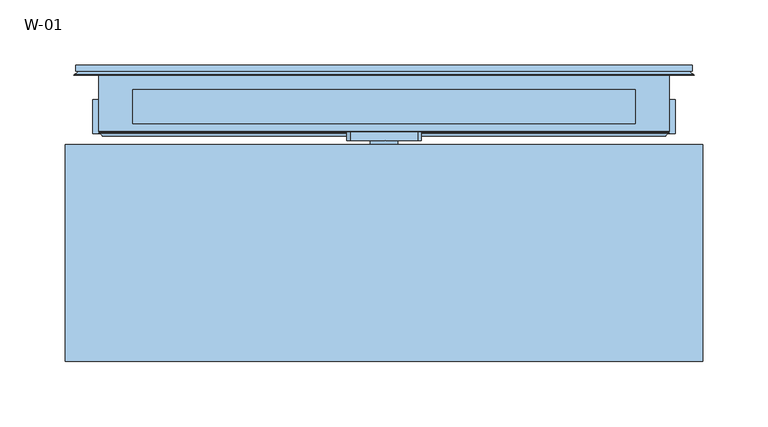
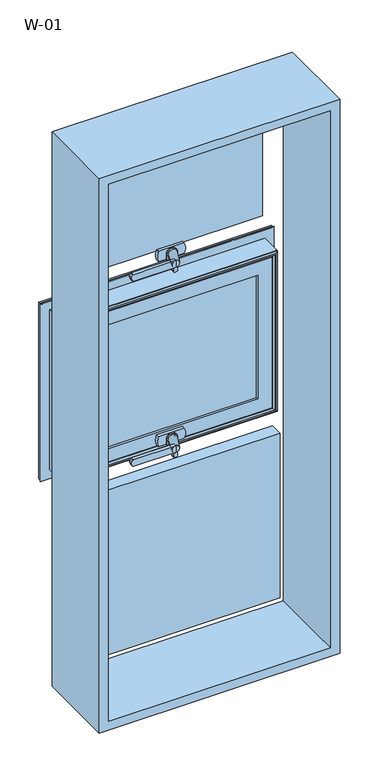
"""IFC4 building model written with IfcOpenShell, lengths in millimetres: window geometry, W-01."""

from ifc_helpers import new_model, si_unit, point, frame, frame_2d, origin, place, context, project, spatial, polyline, circle_curve, ellipse_curve, trimmed, segment, composite_curve, outline, extrude, source, transform, mapped, element, save
from ifc_brep_helpers import plane_surface, cylinder_surface, revolved_surface, spline_surface, advanced_brep


def w_01_81d1cf1f(model_context):
    return source(origin(), model_context, "Body", "SolidModel", [
        extrude(outline(polyline([(192.4, 81.9927198), (-192.4, 81.9927198), (-192.4, 107.9927198), (192.4, 107.9927198), (192.4, 81.9927198)])), frame((0.0, 0.0, 954.2666667), z_axis=(0.0, 0.0, 1.0), x_axis=(1.0, 0.0, 0.0)), (0.0, 0.0, 1.0), 291.4666667),
        extrude(outline(polyline([(192.4, 81.9927198), (-192.4, 81.9927198), (-192.4, 107.9927198), (192.4, 107.9927198), (192.4, 81.9927198)])), frame((0.0, 0.0, 1350.9333333), z_axis=(0.0, 0.0, 1.0), x_axis=(1.0, 0.0, 0.0)), (0.0, 0.0, 1.0), 291.4666667),
        extrude(outline(polyline([(1693.8, 243.8), (1693.8, -243.8), (506.2, -243.8), (506.2, 243.8), (1693.8, 243.8)]), holes=[polyline([(524.7, 225.3), (524.7, -225.3), (1675.3, -225.3), (1675.3, 225.3), (524.7, 225.3)])]), frame((0.0, -100.0, 0.0), z_axis=(0.0, 1.0, 0.0), x_axis=(0.0, 0.0, 1.0)), (0.0, 0.0, 1.0), 165.9999813),
        extrude(outline(polyline([(223.0, 74.4), (-223.0, 74.4), (-223.0, 100.4), (223.0, 100.4), (223.0, 74.4)])), frame((0.0, 0.0, 527.0), z_axis=(0.0, 0.0, 1.0), x_axis=(1.0, 0.0, 0.0)), (0.0, 0.0, 1.0), 352.6666667),
        extrude(outline(composite_curve([segment(polyline([(928.3666667, -8.432005), (928.3666667, -5.567995)]), True, "CONTINUOUS"), segment(trimmed(circle_curve(frame_2d((931.3666667, -5.567995)), 3.0), [point((928.3666667, -5.567995))], [point((931.2096588, -2.5721064))], False, "CARTESIAN"), True, "CONTINUOUS"), segment(polyline([(931.2096588, -2.5721064), (951.6666667, -1.5), (951.6666667, -12.5), (931.2096588, -11.4278936)]), True, "CONTINUOUS"), segment(trimmed(circle_curve(frame_2d((931.3666667, -8.432005)), 3.0), [point((931.2096588, -11.4278936))], [point((928.3666667, -8.432005))], False, "CARTESIAN"), True, "CONTINUOUS")], self_intersect=False)), frame((0.0, 42.4999039, 0.0), z_axis=(0.0, 1.0, 0.0), x_axis=(0.0, 0.0, 1.0)), (0.0, 0.0, 1.0), 4.9),
        extrude(outline(composite_curve([segment(polyline([(924.3666667, -3.7223739), (924.3666667, 1.7223739)]), True, "CONTINUOUS"), segment(trimmed(circle_curve(frame_2d((927.3666667, 1.7223739)), 3.0), [point((924.3666667, 1.7223739))], [point((927.2096588, 4.7182625))], False, "CARTESIAN"), True, "CONTINUOUS"), segment(polyline([(927.2096588, 4.7182625), (951.6666667, 6.0), (951.6666667, -8.0), (927.2096588, -6.7182625)]), True, "CONTINUOUS"), segment(trimmed(circle_curve(frame_2d((927.3666667, -3.7223739)), 3.0), [point((927.2096588, -6.7182625))], [point((924.3666667, -3.7223739))], False, "CARTESIAN"), True, "CONTINUOUS")], self_intersect=False)), frame((0.0, 59.2999039, 0.0), z_axis=(0.0, 1.0, 0.0), x_axis=(0.0, 0.0, 1.0)), (0.0, 0.0, 1.0), 5.3),
        extrude(outline(composite_curve([segment(trimmed(circle_curve(frame_2d((956.8666667, -96.7659341)), 2.0), [point((958.8666667, -96.7659341))], [point((957.609448, -98.6228875))], False, "CARTESIAN"), True, "CONTINUOUS"), segment(polyline([(957.609448, -98.6228875), (953.1522294, -100.4057749)]), True, "CONTINUOUS"), segment(trimmed(circle_curve(frame_2d((951.6666667, -96.6918682)), 4.0), [point((953.1522294, -100.4057749))], [point((950.181104, -100.4057749))], False, "CARTESIAN"), True, "CONTINUOUS"), segment(polyline([(950.181104, -100.4057749), (945.7238853, -98.6228875)]), True, "CONTINUOUS"), segment(trimmed(circle_curve(frame_2d((946.4666667, -96.7659341)), 2.0), [point((945.7238853, -98.6228875))], [point((944.4666667, -96.7659341))], False, "CARTESIAN"), True, "CONTINUOUS"), segment(polyline([(944.4666667, -96.7659341), (944.4666667, -11.0), (958.8666667, -11.0), (958.8666667, -96.7659341)]), True, "CONTINUOUS")], self_intersect=False)), frame((0.0, 34.5999039, 0.0), z_axis=(0.0, 1.0, 0.0), x_axis=(0.0, 0.0, 1.0)), (0.0, 0.0, 1.0), 7.0),
        extrude(outline(composite_curve([segment(trimmed(circle_curve(frame_2d((951.6666667, 0.0)), 7.0), [point((951.6666667, 7.0))], [point((951.6666667, -7.0))], False, "CARTESIAN"), True, "CONTINUOUS"), segment(trimmed(circle_curve(frame_2d((951.6666667, 0.0)), 7.0), [point((951.6666667, -7.0))], [point((951.6666667, 7.0))], False, "CARTESIAN"), True, "CONTINUOUS")], self_intersect=False)), frame((0.0, 64.5999039, 0.0), z_axis=(0.0, 1.0, 0.0), x_axis=(0.0, 0.0, 1.0)), (0.0, 0.0, 1.0), 1.5),
        advanced_brep(
        [(-3.5, 34.5999039, 951.6666667), (-18.5, 34.5999039, 951.6666667), (9.0, 64.5999039, 951.6666667), (-9.0, 64.5999039, 951.6666667)],
        [
            (0, 1, circle_curve(frame((-11.0, 34.5999039, 951.6666667), z_axis=(0.0, -1.0, 0.0), x_axis=(-1.0, 0.0, 0.0)), 7.5)),
            (1, 0, circle_curve(frame((-11.0, 34.5999039, 951.6666667), z_axis=(0.0, -1.0, 0.0), x_axis=(-1.0, 0.0, 0.0)), 7.5)),
            (2, 3, circle_curve(frame((0.0, 64.5999039, 951.6666667), z_axis=(0.0, 1.0, 0.0), x_axis=(-1.0, 0.0, 0.0)), 9.0)),
            (3, 2, circle_curve(frame((0.0, 64.5999039, 951.6666667), z_axis=(0.0, 1.0, 0.0), x_axis=(-1.0, 0.0, 0.0)), 9.0)),
            (2, 0),
            (1, 3),
        ],
        [
            plane_surface(frame((-11.0, 34.5999039, 951.6666667), z_axis=(0.0, -1.0, 0.0), x_axis=(0.0, 0.0, -1.0))),
            plane_surface(frame((0.0, 64.5999039, 951.6666667), z_axis=(0.0, 1.0, 0.0), x_axis=(0.0, 0.0, -1.0))),
            spline_surface(1, 2, [[(9.0, 64.5999039, 951.6666667), (9.0, 64.5999039, 942.6666667), (0.0, 64.5999039, 942.6666667), (-9.0, 64.5999039, 942.6666667), (-9.0, 64.5999039, 951.6666667)], [(-3.5, 34.5999039, 951.6666667), (-3.5, 34.5999039, 944.1666667), (-11.0, 34.5999039, 944.1666667), (-18.5, 34.5999039, 944.1666667), (-18.5, 34.5999039, 951.6666667)]], [2, 2], [3, 2, 3], [0.0, 1.0], [0.0, 1.0, 2.0], weights=[[1.0, 0.7071067811865476, 1.0, 0.7071067811865476, 1.0], [1.0, 0.7071067811865476, 1.0, 0.7071067811865476, 1.0]]),
            spline_surface(1, 2, [[(-9.0, 64.5999039, 951.6666667), (-9.0, 64.5999039, 960.6666667), (0.0, 64.5999039, 960.6666667), (9.0, 64.5999039, 960.6666667), (9.0, 64.5999039, 951.6666667)], [(-18.5, 34.5999039, 951.6666667), (-18.5, 34.5999039, 959.1666667), (-11.0, 34.5999039, 959.1666667), (-3.5, 34.5999039, 959.1666667), (-3.5, 34.5999039, 951.6666667)]], [2, 2], [3, 2, 3], [0.0, 1.0], [0.0, 1.0, 2.0], weights=[[1.0, 0.7071067811865476, 1.0, 0.7071067811865476, 1.0], [1.0, 0.7071067811865476, 1.0, 0.7071067811865476, 1.0]]),
        ],
        [
            (0, [[1, 2]]),
            (1, [[3, 4]]),
            (2, [[5, -2, 6, -3]]),
            (3, [[-6, -1, -5, -4]]),
        ],
    ),
        extrude(outline(composite_curve([segment(trimmed(circle_curve(frame_2d((951.6666667, 0.0)), 10.6), [point((951.6666667, 10.6))], [point((951.6666667, -10.6))], False, "CARTESIAN"), True, "CONTINUOUS"), segment(polyline([(951.6666667, -10.6), (940.6166667, -10.6), (940.6166667, 10.6), (951.6666667, 10.6)]), True, "CONTINUOUS")], self_intersect=False)), frame((0.0, 66.0999039, 0.0), z_axis=(0.0, 1.0, 0.0), x_axis=(0.0, 0.0, 1.0)), (0.0, 0.0, 1.0), 2.8),
        extrude(outline(composite_curve([segment(polyline([(940.6166667, -26.0), (940.6166667, 26.0)]), True, "CONTINUOUS"), segment(trimmed(circle_curve(frame_2d((951.6666667, 3.2967472)), 25.2495582), [point((940.6166667, 26.0))], [point((962.7166667, 26.0))], False, "CARTESIAN"), True, "CONTINUOUS"), segment(polyline([(962.7166667, 26.0), (962.7166667, -26.0)]), True, "CONTINUOUS"), segment(trimmed(circle_curve(frame_2d((951.6666667, -3.2967472)), 25.2495582), [point((962.7166667, -26.0))], [point((940.6166667, -26.0))], False, "CARTESIAN"), True, "CONTINUOUS")], self_intersect=False)), frame((0.0, 68.8999039, 0.0), z_axis=(0.0, 1.0, 0.0), x_axis=(0.0, 0.0, 1.0)), (0.0, 0.0, 1.0), 6.7),
        advanced_brep(
        [(235.8588651, 121.9999121, 1289.1921985), (235.8588651, 121.9999121, 910.8078015), (235.8588651, 126.5999121, 910.8078015), (235.8588651, 126.5999121, 1289.1921985), (-235.8588651, 126.5999121, 1289.1921985), (-235.8588651, 126.5999121, 910.8078015), (199.3588651, 126.5999121, 1252.6921985), (-199.3588651, 126.5999121, 1252.6921985), (-199.3588651, 126.5999121, 947.3078015), (199.3588651, 126.5999121, 947.3078015), (-235.8588651, 121.9999121, 910.8078015), (-235.8588651, 121.9999121, 1289.1921985), (-233.7537664, 121.9999121, 1287.0870998), (233.7537664, 121.9999121, 1287.0870998), (233.7537664, 121.9999121, 912.9129002), (-233.7537664, 121.9999121, 912.9129002), (236.4637148, 119.9946866, 1289.7970481), (236.4637148, 119.9946866, 910.2029519), (-236.4637148, 119.9946866, 910.2029519), (237.2086873, 118.9999537, 1290.5420206), (237.2086873, 118.9999537, 909.4579794), (-237.2086873, 118.9999537, 909.4579794), (-237.2086873, 118.9999537, 1290.5420206), (-218.3588678, 118.9999537, 1271.6922011), (218.3588678, 118.9999537, 1271.6922011), (218.3588678, 118.9999537, 928.3077989), (-218.3588678, 118.9999537, 928.3077989), (218.3588678, 76.0999005, 1271.6922011), (218.3588678, 76.0999005, 928.3077989), (-218.3588678, 76.0999005, 928.3077989), (217.8588679, 75.5999006, 1271.1922012), (217.8588679, 75.5999006, 928.8077988), (-217.8588679, 75.5999006, 928.8077988), (218.144223, 74.6078271, 1271.4775564), (218.144223, 74.6078271, 928.5224436), (-218.144223, 74.6078271, 928.5224436), (215.4347904, 72.6034445, 1268.7681238), (215.4347904, 72.6034445, 931.2318762), (-215.4347904, 72.6034445, 931.2318762), (-215.4347904, 72.6034445, 1268.7681238), (-212.0349667, 72.6034445, 1265.3683), (212.0349667, 72.6034445, 1265.3683), (212.0349667, 72.6034445, 934.6317), (-212.0349667, 72.6034445, 934.6317), (208.8054323, 74.6078271, 1262.1387656), (208.8054323, 74.6078271, 937.8612344), (-208.8054323, 74.6078271, 937.8612344), (208.340576, 75.5999039, 1261.6739093), (208.340576, 75.5999039, 938.3260907), (-208.340576, 75.5999039, 938.3260907), (-208.340576, 75.5999039, 1261.6739093), (-179.3588709, 75.5999039, 1232.6922043), (179.3588709, 75.5999039, 1232.6922043), (179.3588709, 75.5999039, 967.3077957), (-179.3588709, 75.5999039, 967.3077957), (179.3588709, 80.1999039, 1232.6922043), (179.3588709, 80.1999039, 967.3077957), (-179.3588709, 80.1999039, 967.3077957), (-199.3588651, 80.1999039, 1252.6921985), (199.3588651, 80.1999039, 1252.6921985), (199.3588651, 80.1999039, 947.3078015), (-199.3588651, 80.1999039, 947.3078015), (-179.3588709, 80.1999039, 1232.6922043), (-236.4637148, 119.9946866, 1289.7970481), (-218.3588678, 76.0999005, 1271.6922011), (-217.8588679, 75.5999006, 1271.1922012), (-218.144223, 74.6078271, 1271.4775564), (-208.8054323, 74.6078271, 1262.1387656)],
        [
            (0, 1),
            (1, 2),
            (2, 3),
            (3, 0),
            (4, 3),
            (2, 5),
            (5, 4),
            (6, 7),
            (7, 8),
            (8, 9),
            (9, 6),
            (1, 10),
            (10, 5),
            (0, 11),
            (11, 10),
            (12, 13),
            (13, 14),
            (14, 15),
            (15, 12),
            (16, 17),
            (17, 14, ellipse_curve(frame((237.5848432, 124.3436113, 909.0818235), z_axis=(-0.7071067811865475, 0.0, -0.7071067811865475), x_axis=(0.7071067811865474, 0.0, -0.7071067811865476)), 6.3513896, 4.4911107)),
            (13, 16, ellipse_curve(frame((237.5848432, 124.3436113, 1290.9181765), z_axis=(-0.7071067811865475, 0.0, 0.7071067811865475), x_axis=(-0.7071067811865474, 0.0, -0.7071067811865476)), 6.3513896, 4.4911107)),
            (17, 18),
            (18, 15, ellipse_curve(frame((-237.5848432, 124.3436113, 909.0818235), z_axis=(-0.7071067811865475, 0.0, 0.7071067811865475), x_axis=(-0.7071067811865476, 0.0, -0.7071067811865474)), 6.3513896, 4.4911107)),
            (19, 20),
            (20, 17),
            (16, 19),
            (20, 21),
            (21, 18),
            (19, 22),
            (22, 21),
            (23, 24),
            (24, 25),
            (25, 26),
            (26, 23),
            (27, 28),
            (28, 25),
            (24, 27),
            (28, 29),
            (29, 26),
            (30, 31),
            (31, 28, ellipse_curve(frame((217.8588679, 76.0999005, 928.8077988), z_axis=(0.7071067811865475, 0.0, 0.7071067811865475), x_axis=(-0.7071067811865474, 0.0, 0.7071067811865476)), 0.7071066, 0.4999999)),
            (27, 30, ellipse_curve(frame((217.8588679, 76.0999005, 1271.1922012), z_axis=(0.7071067811865475, 0.0, -0.7071067811865475), x_axis=(0.7071067811865474, 0.0, 0.7071067811865476)), 0.7071066, 0.4999999)),
            (31, 32),
            (32, 29, ellipse_curve(frame((-217.8588679, 76.0999005, 928.8077988), z_axis=(0.7071067811865475, 0.0, -0.7071067811865475), x_axis=(0.7071067811865476, 0.0, 0.7071067811865474)), 0.7071066, 0.4999999)),
            (33, 34),
            (34, 31),
            (30, 33),
            (34, 35),
            (35, 32),
            (36, 37),
            (37, 34, ellipse_curve(frame((219.2653514, 70.2589024, 927.4013153), z_axis=(-0.7071067811865475, 0.0, -0.7071067811865475), x_axis=(0.7071067811865474, 0.0, -0.7071067811865476)), 6.3513896, 4.4911107)),
            (33, 36, ellipse_curve(frame((219.2653514, 70.2589024, 1272.5986847), z_axis=(-0.7071067811865475, 0.0, 0.7071067811865475), x_axis=(-0.7071067811865474, 0.0, -0.7071067811865476)), 6.3513896, 4.4911107)),
            (37, 38),
            (38, 35, ellipse_curve(frame((-219.2653514, 70.2589024, 927.4013153), z_axis=(-0.7071067811865475, 0.0, 0.7071067811865475), x_axis=(-0.7071067811865476, 0.0, -0.7071067811865474)), 6.3513896, 4.4911107)),
            (36, 39),
            (39, 38),
            (40, 41),
            (41, 42),
            (42, 43),
            (43, 40),
            (44, 45),
            (45, 42, ellipse_curve(frame((208.5540914, 70.5988943, 938.1125753), z_axis=(-0.7071067811865475, 0.0, -0.7071067811865475), x_axis=(0.7071067811865474, 0.0, -0.7071067811865476)), 5.6806187, 4.016804)),
            (41, 44, ellipse_curve(frame((208.5540914, 70.5988943, 1261.8874247), z_axis=(-0.7071067811865475, 0.0, 0.7071067811865475), x_axis=(-0.7071067811865474, 0.0, -0.7071067811865476)), 5.6806187, 4.016804)),
            (45, 46),
            (46, 43, ellipse_curve(frame((-208.5540914, 70.5988943, 938.1125753), z_axis=(-0.7071067811865475, 0.0, 0.7071067811865475), x_axis=(-0.7071067811865476, 0.0, -0.7071067811865474)), 5.6806187, 4.016804)),
            (47, 48),
            (48, 45),
            (44, 47),
            (48, 49),
            (49, 46),
            (47, 50),
            (50, 49),
            (51, 52),
            (52, 53),
            (53, 54),
            (54, 51),
            (55, 56),
            (56, 53),
            (52, 55),
            (56, 57),
            (57, 54),
            (58, 59),
            (59, 60),
            (60, 61),
            (61, 58),
            (55, 62),
            (62, 57),
            (9, 60),
            (59, 6),
            (8, 61),
            (11, 4),
            (18, 63),
            (63, 12, ellipse_curve(frame((-237.5848432, 124.3436113, 1290.9181765), z_axis=(0.7071067811865475, 0.0, 0.7071067811865475), x_axis=(-0.7071067811865474, 0.0, 0.7071067811865476)), 6.3513896, 4.4911107)),
            (22, 63),
            (29, 64),
            (64, 23),
            (32, 65),
            (65, 64, ellipse_curve(frame((-217.8588679, 76.0999005, 1271.1922012), z_axis=(-0.7071067811865475, 0.0, -0.7071067811865475), x_axis=(0.7071067811865474, 0.0, -0.7071067811865476)), 0.7071066, 0.4999999)),
            (35, 66),
            (66, 65),
            (39, 66, ellipse_curve(frame((-219.2653514, 70.2589024, 1272.5986847), z_axis=(0.7071067811865475, 0.0, 0.7071067811865475), x_axis=(-0.7071067811865474, 0.0, 0.7071067811865476)), 6.3513896, 4.4911107)),
            (46, 67),
            (67, 40, ellipse_curve(frame((-208.5540914, 70.5988943, 1261.8874247), z_axis=(0.7071067811865475, 0.0, 0.7071067811865475), x_axis=(-0.7071067811865474, 0.0, 0.7071067811865476)), 5.6806187, 4.016804)),
            (50, 67),
            (62, 51),
            (7, 58),
            (63, 16),
            (64, 27),
            (65, 30),
            (66, 33),
            (67, 44),
        ],
        [
            plane_surface(frame((235.8588651, 126.5999121, 1289.1921985), z_axis=(1.0, 0.0, 0.0), x_axis=(0.0, 0.0, -1.0))),
            plane_surface(frame((-199.3588651, 126.5999121, 947.3078015), z_axis=(0.0, 1.0, 0.0), x_axis=(0.0, 0.0, 1.0))),
            plane_surface(frame((235.8588651, 126.5999121, 910.8078015), z_axis=(0.0, 0.0, -1.0), x_axis=(-1.0, 0.0, 0.0))),
            plane_surface(frame((-235.8588651, 121.9999121, 910.8078015), z_axis=(0.0, -1.0, 0.0), x_axis=(0.0, 0.0, 1.0))),
            revolved_surface(polyline([(242.0759539, 124.3436113, 904.5907128438823), (242.0759539, 124.3436113, 1295.409287156118)]), (237.5848432, 124.3436113, 1303.3333333), (0.0, 0.0, -1.0)),
            revolved_surface(polyline([(-242.07595385611774, 124.3436113, 904.5907128), (242.0759538561177, 124.3436113, 904.5907128)]), (250.0, 124.3436113, 909.0818235), (-1.0, 0.0, 0.0)),
            plane_surface(frame((236.4637148, 119.9946866, 1289.7970481), z_axis=(0.8004158635848707, 0.5994451145198247, 0.0), x_axis=(0.0, 0.0, -1.0))),
            plane_surface(frame((236.4637148, 119.9946866, 910.2029519), z_axis=(0.0, 0.5994451145198296, -0.800415863584867), x_axis=(-1.0, 0.0, 0.0))),
            plane_surface(frame((-237.2086873, 118.9999537, 909.4579794), z_axis=(0.0, -1.0, 0.0), x_axis=(0.0, 0.0, 1.0))),
            plane_surface(frame((218.3588678, 118.9999537, 1271.6922011), z_axis=(1.0, 0.0, 0.0), x_axis=(0.0, 0.0, -1.0))),
            plane_surface(frame((218.3588678, 118.9999537, 928.3077989), z_axis=(0.0, 0.0, -1.0), x_axis=(-1.0, 0.0, 0.0))),
            cylinder_surface(frame((217.8588679, 76.0999005, 1303.3333333), z_axis=(0.0, 0.0, 1.0), x_axis=(1.0, 0.0, 0.0)), 0.4999999),
            cylinder_surface(frame((250.0, 76.0999005, 928.8077988), z_axis=(1.0, 0.0, 0.0), x_axis=(0.0, 0.0, -1.0)), 0.4999999),
            plane_surface(frame((217.8588679, 75.5999006, 1271.1922012), z_axis=(0.9610348327667624, 0.27642729642522856, 0.0), x_axis=(0.0, 0.0, -1.0))),
            plane_surface(frame((217.8588679, 75.5999006, 928.8077988), z_axis=(0.0, 0.27642729642523445, -0.9610348327667607), x_axis=(-1.0, 0.0, 0.0))),
            revolved_surface(polyline([(223.7564621, 70.2589024, 922.9102046438823), (223.7564621, 70.2589024, 1277.0897953561175)]), (219.2653514, 70.2589024, 1303.3333333), (0.0, 0.0, -1.0)),
            revolved_surface(polyline([(-223.7564620561177, 70.2589024, 922.9102045999999), (223.7564620561177, 70.2589024, 922.9102045999999)]), (250.0, 70.2589024, 927.4013153), (-1.0, 0.0, 0.0)),
            plane_surface(frame((-215.4347904, 72.6034445, 931.2318762), z_axis=(0.0, -1.0, 0.0), x_axis=(0.0, 0.0, 1.0))),
            revolved_surface(polyline([(212.5708954, 70.5988943, 934.0957712958949), (212.5708954, 70.5988943, 1265.9042287041052)]), (208.5540914, 70.5988943, 1303.3333333), (0.0, 0.0, -1.0)),
            revolved_surface(polyline([(-212.5708954041051, 70.5988943, 934.0957713), (212.5708954041051, 70.5988943, 934.0957713)]), (250.0, 70.5988943, 938.1125753), (-1.0, 0.0, 0.0)),
            plane_surface(frame((208.8054323, 74.6078271, 1262.1387656), z_axis=(-0.9055219642805072, -0.4242993898246519, 0.0), x_axis=(0.0, 0.0, -1.0))),
            plane_surface(frame((208.8054323, 74.6078271, 937.8612344), z_axis=(0.0, -0.4242993898246574, 0.9055219642805047), x_axis=(-1.0, 0.0, 0.0))),
            plane_surface(frame((-208.340576, 75.5999039, 938.3260907), z_axis=(0.0, -1.0, 0.0), x_axis=(0.0, 0.0, 1.0))),
            plane_surface(frame((179.3588709, 75.5999039, 1232.6922043), z_axis=(-1.0, 0.0, 0.0), x_axis=(0.0, 0.0, -1.0))),
            plane_surface(frame((179.3588709, 75.5999039, 967.3077957), z_axis=(0.0, 0.0, 1.0), x_axis=(-1.0, 0.0, 0.0))),
            plane_surface(frame((-179.3588709, 80.1999039, 967.3077957), z_axis=(0.0, 1.0, 0.0), x_axis=(0.0, 0.0, 1.0))),
            plane_surface(frame((199.3588651, 80.1999039, 1252.6921985), z_axis=(-1.0, 0.0, 0.0), x_axis=(0.0, 0.0, -1.0))),
            plane_surface(frame((199.3588651, 80.1999039, 947.3078015), z_axis=(0.0, 0.0, 1.0), x_axis=(-1.0, 0.0, 0.0))),
            plane_surface(frame((-235.8588651, 126.5999121, 910.8078015), z_axis=(-1.0, 0.0, 0.0), x_axis=(0.0, 0.0, 1.0))),
            revolved_surface(polyline([(-242.0759539, 124.3436113, 1295.409287156118), (-242.0759539, 124.3436113, 904.5907128438823)]), (-237.5848432, 124.3436113, 896.6666667), (0.0, 0.0, 1.0)),
            plane_surface(frame((-236.4637148, 119.9946866, 910.2029519), z_axis=(-0.8004158635848634, 0.5994451145198345, 0.0), x_axis=(0.0, 0.0, 1.0))),
            plane_surface(frame((-218.3588678, 118.9999537, 928.3077989), z_axis=(-1.0, 0.0, 0.0), x_axis=(0.0, 0.0, 1.0))),
            cylinder_surface(frame((-217.8588679, 76.0999005, 896.6666667), z_axis=(0.0, 0.0, -1.0), x_axis=(-1.0, 0.0, 0.0)), 0.4999999),
            plane_surface(frame((-217.8588679, 75.5999006, 928.8077988), z_axis=(-0.961034832766759, 0.27642729642524033, 0.0), x_axis=(0.0, 0.0, 1.0))),
            revolved_surface(polyline([(-223.7564621, 70.2589024, 1277.0897953561175), (-223.7564621, 70.2589024, 922.9102046438823)]), (-219.2653514, 70.2589024, 896.6666667), (0.0, 0.0, 1.0)),
            revolved_surface(polyline([(-212.5708954, 70.5988943, 1265.9042287041052), (-212.5708954, 70.5988943, 934.0957712958949)]), (-208.5540914, 70.5988943, 896.6666667), (0.0, 0.0, 1.0)),
            plane_surface(frame((-208.8054323, 74.6078271, 937.8612344), z_axis=(0.9055219642805021, -0.424299389824663, 0.0), x_axis=(0.0, 0.0, 1.0))),
            plane_surface(frame((-179.3588709, 75.5999039, 967.3077957), z_axis=(1.0, 0.0, 0.0), x_axis=(0.0, 0.0, 1.0))),
            plane_surface(frame((-199.3588651, 80.1999039, 947.3078015), z_axis=(1.0, 0.0, 0.0), x_axis=(0.0, 0.0, 1.0))),
            plane_surface(frame((-235.8588651, 126.5999121, 1289.1921985), z_axis=(0.0, 0.0, 1.0), x_axis=(1.0, 0.0, 0.0))),
            revolved_surface(polyline([(242.07595385611774, 124.3436113, 1295.4092872), (-242.0759538561177, 124.3436113, 1295.4092872)]), (-250.0, 124.3436113, 1290.9181765), (1.0, 0.0, 0.0)),
            plane_surface(frame((-236.4637148, 119.9946866, 1289.7970481), z_axis=(0.0, 0.5994451145198296, 0.800415863584867), x_axis=(1.0, 0.0, 0.0))),
            plane_surface(frame((-218.3588678, 118.9999537, 1271.6922011), z_axis=(0.0, 0.0, 1.0), x_axis=(1.0, 0.0, 0.0))),
            cylinder_surface(frame((-250.0, 76.0999005, 1271.1922012), z_axis=(-1.0, 0.0, 0.0), x_axis=(0.0, 0.0, 1.0)), 0.4999999),
            plane_surface(frame((-217.8588679, 75.5999006, 1271.1922012), z_axis=(0.0, 0.27642729642523445, 0.9610348327667607), x_axis=(1.0, 0.0, 0.0))),
            revolved_surface(polyline([(223.7564620561177, 70.2589024, 1277.0897954), (-223.7564620561177, 70.2589024, 1277.0897954)]), (-250.0, 70.2589024, 1272.5986847), (1.0, 0.0, 0.0)),
            revolved_surface(polyline([(212.5708954041051, 70.5988943, 1265.9042287000002), (-212.5708954041051, 70.5988943, 1265.9042287000002)]), (-250.0, 70.5988943, 1261.8874247), (1.0, 0.0, 0.0)),
            plane_surface(frame((-208.8054323, 74.6078271, 1262.1387656), z_axis=(0.0, -0.4242993898246574, -0.9055219642805047), x_axis=(1.0, 0.0, 0.0))),
            plane_surface(frame((-179.3588709, 75.5999039, 1232.6922043), z_axis=(0.0, 0.0, -1.0), x_axis=(1.0, 0.0, 0.0))),
            plane_surface(frame((-199.3588651, 80.1999039, 1252.6921985), z_axis=(0.0, 0.0, -1.0), x_axis=(1.0, 0.0, 0.0))),
        ],
        [
            (0, [[1, 2, 3, 4]]),
            (1, [[5, -3, 6, 7], [8, 9, 10, 11]]),
            (2, [[12, 13, -6, -2]]),
            (3, [[14, 15, -12, -1], [16, 17, 18, 19]]),
            (4, [[20, 21, -17, 22]]),
            (5, [[23, 24, -18, -21]]),
            (6, [[25, 26, -20, 27]]),
            (7, [[28, 29, -23, -26]]),
            (8, [[30, 31, -28, -25], [32, 33, 34, 35]]),
            (9, [[36, 37, -33, 38]]),
            (10, [[39, 40, -34, -37]]),
            (11, [[41, 42, -36, 43]]),
            (12, [[44, 45, -39, -42]]),
            (13, [[46, 47, -41, 48]]),
            (14, [[49, 50, -44, -47]]),
            (15, [[51, 52, -46, 53]]),
            (16, [[54, 55, -49, -52]]),
            (17, [[56, 57, -54, -51], [58, 59, 60, 61]]),
            (18, [[62, 63, -59, 64]]),
            (19, [[65, 66, -60, -63]]),
            (20, [[67, 68, -62, 69]]),
            (21, [[70, 71, -65, -68]]),
            (22, [[72, 73, -70, -67], [74, 75, 76, 77]]),
            (23, [[78, 79, -75, 80]]),
            (24, [[81, 82, -76, -79]]),
            (25, [[83, 84, 85, 86], [87, 88, -81, -78]]),
            (26, [[-11, 89, -84, 90]]),
            (27, [[-10, 91, -85, -89]]),
            (28, [[-15, 92, -7, -13]]),
            (29, [[93, 94, -19, -24]]),
            (30, [[-31, 95, -93, -29]]),
            (31, [[96, 97, -35, -40]]),
            (32, [[98, 99, -96, -45]]),
            (33, [[100, 101, -98, -50]]),
            (34, [[-57, 102, -100, -55]]),
            (35, [[103, 104, -61, -66]]),
            (36, [[-73, 105, -103, -71]]),
            (37, [[-88, 106, -77, -82]]),
            (38, [[-9, 107, -86, -91]]),
            (39, [[-14, -4, -5, -92]]),
            (40, [[108, -22, -16, -94]]),
            (41, [[-30, -27, -108, -95]]),
            (42, [[109, -38, -32, -97]]),
            (43, [[110, -43, -109, -99]]),
            (44, [[111, -48, -110, -101]]),
            (45, [[-56, -53, -111, -102]]),
            (46, [[112, -64, -58, -104]]),
            (47, [[-72, -69, -112, -105]]),
            (48, [[-87, -80, -74, -106]]),
            (49, [[-8, -90, -83, -107]]),
        ],
    ),
        advanced_brep(
        [(-179.4, 115.322822, 1232.7333333), (-177.2575034, 107.9927198, 1230.5908368), (-177.2575034, 107.9927198, 969.4091632), (-179.4, 115.322822, 967.2666667), (-179.4, 126.5999122, 1232.7333333), (-179.4, 126.5999122, 967.2666667), (-199.4, 107.9927198, 1252.7333333), (-199.4, 126.5999122, 1252.7333333), (-199.4, 126.5999122, 947.2666667), (-199.4, 107.9927198, 947.2666667), (177.2575034, 107.9927198, 969.4091632), (179.4, 115.322822, 967.2666667), (179.4, 126.5999122, 967.2666667), (199.4, 126.5999122, 947.2666667), (199.4, 107.9927198, 947.2666667), (177.2575034, 107.9927198, 1230.5908368), (179.4, 115.322822, 1232.7333333), (179.4, 126.5999122, 1232.7333333), (199.4, 126.5999122, 1252.7333333), (199.4, 107.9927198, 1252.7333333)],
        [
            (0, 1, ellipse_curve(frame((-159.7925883, 117.0756581, 1213.1259216), z_axis=(0.7071067811865475, 0.0, 0.7071067811865475), x_axis=(0.7071067811865474, 0.0, -0.7071067811865476)), 27.839649, 19.6856046)),
            (1, 2),
            (2, 3, ellipse_curve(frame((-159.7925883, 117.0756581, 986.8740784), z_axis=(0.7071067811865475, 0.0, -0.7071067811865475), x_axis=(-0.7071067811865474, 0.0, -0.7071067811865476)), 27.839649, 19.6856046)),
            (3, 0),
            (4, 0),
            (3, 5),
            (5, 4),
            (6, 7),
            (7, 8),
            (8, 9),
            (9, 6),
            (2, 10),
            (10, 11, ellipse_curve(frame((159.7925883, 117.0756581, 986.8740784), z_axis=(0.7071067811865475, 0.0, 0.7071067811865475), x_axis=(0.7071067811865476, 0.0, -0.7071067811865474)), 27.839649, 19.6856046)),
            (11, 3),
            (11, 12),
            (12, 5),
            (8, 13),
            (13, 14),
            (14, 9),
            (10, 15),
            (15, 16, ellipse_curve(frame((159.7925883, 117.0756581, 1213.1259216), z_axis=(-0.7071067811865475, 0.0, 0.7071067811865475), x_axis=(0.7071067811865474, 0.0, 0.7071067811865476)), 27.839649, 19.6856046)),
            (16, 11),
            (16, 17),
            (17, 12),
            (13, 18),
            (18, 19),
            (19, 14),
            (19, 6),
            (1, 15),
            (0, 16),
            (4, 17),
            (7, 18),
        ],
        [
            revolved_surface(polyline([(-179.4781929, 117.0756581, 967.1884738062467), (-179.4781929, 117.0756581, 1232.8115261937535)]), (-159.7925883, 117.0756581, 1252.7333333), (0.0, 0.0, -1.0)),
            plane_surface(frame((-179.4, 115.322822, 1232.7333333), z_axis=(1.0, 0.0, 0.0), x_axis=(0.0, 0.0, -1.0))),
            plane_surface(frame((-199.4, 126.5999122, 1252.7333333), z_axis=(-1.0, 0.0, 0.0), x_axis=(0.0, 0.0, -1.0))),
            revolved_surface(polyline([(179.4781928937533, 117.0756581, 967.1884738), (-179.4781928937533, 117.0756581, 967.1884738)]), (-199.4, 117.0756581, 986.8740784), (1.0, 0.0, 0.0)),
            plane_surface(frame((-179.4, 115.322822, 967.2666667), z_axis=(0.0, 0.0, 1.0), x_axis=(1.0, 0.0, 0.0))),
            plane_surface(frame((-199.4, 126.5999122, 947.2666667), z_axis=(0.0, 0.0, -1.0), x_axis=(1.0, 0.0, 0.0))),
            revolved_surface(polyline([(179.4781929, 117.0756581, 1232.8115261937533), (179.4781929, 117.0756581, 967.1884738062467)]), (159.7925883, 117.0756581, 947.2666667), (0.0, 0.0, 1.0)),
            plane_surface(frame((179.4, 115.322822, 967.2666667), z_axis=(-1.0, 0.0, 0.0), x_axis=(0.0, 0.0, 1.0))),
            plane_surface(frame((199.4, 126.5999122, 947.2666667), z_axis=(1.0, 0.0, 0.0), x_axis=(0.0, 0.0, 1.0))),
            plane_surface(frame((199.4, 107.9927198, 1252.7333333), z_axis=(0.0, -1.0, 0.0), x_axis=(-1.0, 0.0, 0.0))),
            revolved_surface(polyline([(-179.4781928937533, 117.0756581, 1232.8115262000001), (179.4781928937533, 117.0756581, 1232.8115262000001)]), (199.4, 117.0756581, 1213.1259216), (-1.0, 0.0, 0.0)),
            plane_surface(frame((179.4, 115.322822, 1232.7333333), z_axis=(0.0, 0.0, -1.0), x_axis=(-1.0, 0.0, 0.0))),
            plane_surface(frame((179.4, 126.5999122, 1232.7333333), z_axis=(0.0, 1.0, 0.0), x_axis=(-1.0, 0.0, 0.0))),
            plane_surface(frame((199.4, 126.5999122, 1252.7333333), z_axis=(0.0, 0.0, 1.0), x_axis=(-1.0, 0.0, 0.0))),
        ],
        [
            (0, [[1, 2, 3, 4]]),
            (1, [[5, -4, 6, 7]]),
            (2, [[8, 9, 10, 11]]),
            (3, [[-3, 12, 13, 14]]),
            (4, [[-6, -14, 15, 16]]),
            (5, [[-10, 17, 18, 19]]),
            (6, [[-13, 20, 21, 22]]),
            (7, [[-15, -22, 23, 24]]),
            (8, [[-18, 25, 26, 27]]),
            (9, [[-19, -27, 28, -11], [29, -20, -12, -2]]),
            (10, [[-21, -29, -1, 30]]),
            (11, [[-23, -30, -5, 31]]),
            (12, [[32, -25, -17, -9], [-16, -24, -31, -7]]),
            (13, [[-26, -32, -8, -28]]),
        ],
    ),
        extrude(outline(composite_curve([segment(polyline([(1325.0333333, -8.432005), (1325.0333333, -5.567995)]), True, "CONTINUOUS"), segment(trimmed(circle_curve(frame_2d((1328.0333333, -5.567995)), 3.0), [point((1325.0333333, -5.567995))], [point((1327.8763255, -2.5721064))], False, "CARTESIAN"), True, "CONTINUOUS"), segment(polyline([(1327.8763255, -2.5721064), (1348.3333333, -1.5), (1348.3333333, -12.5), (1327.8763255, -11.4278936)]), True, "CONTINUOUS"), segment(trimmed(circle_curve(frame_2d((1328.0333333, -8.432005)), 3.0), [point((1327.8763255, -11.4278936))], [point((1325.0333333, -8.432005))], False, "CARTESIAN"), True, "CONTINUOUS")], self_intersect=False)), frame((0.0, 42.4999039, 0.0), z_axis=(0.0, 1.0, 0.0), x_axis=(0.0, 0.0, 1.0)), (0.0, 0.0, 1.0), 4.9),
        extrude(outline(composite_curve([segment(polyline([(1321.0333333, -3.7223739), (1321.0333333, 1.7223739)]), True, "CONTINUOUS"), segment(trimmed(circle_curve(frame_2d((1324.0333333, 1.7223739)), 3.0), [point((1321.0333333, 1.7223739))], [point((1323.8763255, 4.7182625))], False, "CARTESIAN"), True, "CONTINUOUS"), segment(polyline([(1323.8763255, 4.7182625), (1348.3333333, 6.0), (1348.3333333, -8.0), (1323.8763255, -6.7182625)]), True, "CONTINUOUS"), segment(trimmed(circle_curve(frame_2d((1324.0333333, -3.7223739)), 3.0), [point((1323.8763255, -6.7182625))], [point((1321.0333333, -3.7223739))], False, "CARTESIAN"), True, "CONTINUOUS")], self_intersect=False)), frame((0.0, 59.2999039, 0.0), z_axis=(0.0, 1.0, 0.0), x_axis=(0.0, 0.0, 1.0)), (0.0, 0.0, 1.0), 5.3),
        extrude(outline(composite_curve([segment(trimmed(circle_curve(frame_2d((1353.5333333, -96.7659341)), 2.0), [point((1355.5333333, -96.7659341))], [point((1354.2761147, -98.6228875))], False, "CARTESIAN"), True, "CONTINUOUS"), segment(polyline([(1354.2761147, -98.6228875), (1349.818896, -100.4057749)]), True, "CONTINUOUS"), segment(trimmed(circle_curve(frame_2d((1348.3333333, -96.6918682)), 4.0), [point((1349.818896, -100.4057749))], [point((1346.8477706, -100.4057749))], False, "CARTESIAN"), True, "CONTINUOUS"), segment(polyline([(1346.8477706, -100.4057749), (1342.390552, -98.6228875)]), True, "CONTINUOUS"), segment(trimmed(circle_curve(frame_2d((1343.1333333, -96.7659341)), 2.0), [point((1342.390552, -98.6228875))], [point((1341.1333333, -96.7659341))], False, "CARTESIAN"), True, "CONTINUOUS"), segment(polyline([(1341.1333333, -96.7659341), (1341.1333333, -11.0), (1355.5333333, -11.0), (1355.5333333, -96.7659341)]), True, "CONTINUOUS")], self_intersect=False)), frame((0.0, 34.5999039, 0.0), z_axis=(0.0, 1.0, 0.0), x_axis=(0.0, 0.0, 1.0)), (0.0, 0.0, 1.0), 7.0),
        extrude(outline(composite_curve([segment(trimmed(circle_curve(frame_2d((1348.3333333, 0.0)), 7.0), [point((1348.3333333, 7.0))], [point((1348.3333333, -7.0))], False, "CARTESIAN"), True, "CONTINUOUS"), segment(trimmed(circle_curve(frame_2d((1348.3333333, 0.0)), 7.0), [point((1348.3333333, -7.0))], [point((1348.3333333, 7.0))], False, "CARTESIAN"), True, "CONTINUOUS")], self_intersect=False)), frame((0.0, 64.5999039, 0.0), z_axis=(0.0, 1.0, 0.0), x_axis=(0.0, 0.0, 1.0)), (0.0, 0.0, 1.0), 1.5),
        advanced_brep(
        [(-3.5, 34.5999039, 1348.3333333), (-18.5, 34.5999039, 1348.3333333), (9.0, 64.5999039, 1348.3333333), (-9.0, 64.5999039, 1348.3333333)],
        [
            (0, 1, circle_curve(frame((-11.0, 34.5999039, 1348.3333333), z_axis=(0.0, -1.0, 0.0), x_axis=(-1.0, 0.0, 0.0)), 7.5)),
            (1, 0, circle_curve(frame((-11.0, 34.5999039, 1348.3333333), z_axis=(0.0, -1.0, 0.0), x_axis=(-1.0, 0.0, 0.0)), 7.5)),
            (2, 3, circle_curve(frame((0.0, 64.5999039, 1348.3333333), z_axis=(0.0, 1.0, 0.0), x_axis=(-1.0, 0.0, 0.0)), 9.0)),
            (3, 2, circle_curve(frame((0.0, 64.5999039, 1348.3333333), z_axis=(0.0, 1.0, 0.0), x_axis=(-1.0, 0.0, 0.0)), 9.0)),
            (2, 0),
            (1, 3),
        ],
        [
            plane_surface(frame((-11.0, 34.5999039, 1348.3333333), z_axis=(0.0, -1.0, 0.0), x_axis=(0.0, 0.0, -1.0))),
            plane_surface(frame((0.0, 64.5999039, 1348.3333333), z_axis=(0.0, 1.0, 0.0), x_axis=(0.0, 0.0, -1.0))),
            spline_surface(1, 2, [[(9.0, 64.5999039, 1348.3333333), (9.0, 64.5999039, 1339.3333333), (0.0, 64.5999039, 1339.3333333), (-9.0, 64.5999039, 1339.3333333), (-9.0, 64.5999039, 1348.3333333)], [(-3.5, 34.5999039, 1348.3333333), (-3.5, 34.5999039, 1340.8333333), (-11.0, 34.5999039, 1340.8333333), (-18.5, 34.5999039, 1340.8333333), (-18.5, 34.5999039, 1348.3333333)]], [2, 2], [3, 2, 3], [0.0, 1.0], [0.0, 1.0, 2.0], weights=[[1.0, 0.7071067811865476, 1.0, 0.7071067811865476, 1.0], [1.0, 0.7071067811865476, 1.0, 0.7071067811865476, 1.0]]),
            spline_surface(1, 2, [[(-9.0, 64.5999039, 1348.3333333), (-9.0, 64.5999039, 1357.3333333), (0.0, 64.5999039, 1357.3333333), (9.0, 64.5999039, 1357.3333333), (9.0, 64.5999039, 1348.3333333)], [(-18.5, 34.5999039, 1348.3333333), (-18.5, 34.5999039, 1355.8333333), (-11.0, 34.5999039, 1355.8333333), (-3.5, 34.5999039, 1355.8333333), (-3.5, 34.5999039, 1348.3333333)]], [2, 2], [3, 2, 3], [0.0, 1.0], [0.0, 1.0, 2.0], weights=[[1.0, 0.7071067811865476, 1.0, 0.7071067811865476, 1.0], [1.0, 0.7071067811865476, 1.0, 0.7071067811865476, 1.0]]),
        ],
        [
            (0, [[1, 2]]),
            (1, [[3, 4]]),
            (2, [[5, -2, 6, -3]]),
            (3, [[-6, -1, -5, -4]]),
        ],
    ),
        extrude(outline(composite_curve([segment(trimmed(circle_curve(frame_2d((1348.3333333, 0.0)), 10.6), [point((1348.3333333, 10.6))], [point((1348.3333333, -10.6))], False, "CARTESIAN"), True, "CONTINUOUS"), segment(polyline([(1348.3333333, -10.6), (1337.2833333, -10.6), (1337.2833333, 10.6), (1348.3333333, 10.6)]), True, "CONTINUOUS")], self_intersect=False)), frame((0.0, 66.0999039, 0.0), z_axis=(0.0, 1.0, 0.0), x_axis=(0.0, 0.0, 1.0)), (0.0, 0.0, 1.0), 2.8),
        extrude(outline(composite_curve([segment(polyline([(1337.2833333, -26.0), (1337.2833333, 26.0)]), True, "CONTINUOUS"), segment(trimmed(circle_curve(frame_2d((1348.3333333, 3.2967472)), 25.2495582), [point((1337.2833333, 26.0))], [point((1359.3833333, 26.0))], False, "CARTESIAN"), True, "CONTINUOUS"), segment(polyline([(1359.3833333, 26.0), (1359.3833333, -26.0)]), True, "CONTINUOUS"), segment(trimmed(circle_curve(frame_2d((1348.3333333, -3.2967472)), 25.2495582), [point((1359.3833333, -26.0))], [point((1337.2833333, -26.0))], False, "CARTESIAN"), True, "CONTINUOUS")], self_intersect=False)), frame((0.0, 68.8999039, 0.0), z_axis=(0.0, 1.0, 0.0), x_axis=(0.0, 0.0, 1.0)), (0.0, 0.0, 1.0), 6.7),
    ])


if __name__ == "__main__":
    model = new_model("IFC4")
    model_context = context("Model", 3, world=origin())
    ifc_project = project(units=[si_unit("LENGTHUNIT", "METRE", prefix="MILLI")], contexts=[model_context])
    site = spatial("IfcSite", under=ifc_project)
    building = spatial("IfcBuilding", under=site)
    placement = place(None, origin())
    w_01_shape = w_01_81d1cf1f(model_context)
    element("IfcWindow", 1, ObjectType="W-01", at=placement, inside=building, context=model_context, shape_type="MappedRepresentation", body=[
        mapped(w_01_shape, transform((0.0, 0.0, 0.0), x_axis=(1.0, 0.0, 0.0), y_axis=(0.0, 1.0, 0.0), z_axis=(0.0, 0.0, 1.0))),
    ])
    save(model, "model.ifc")
